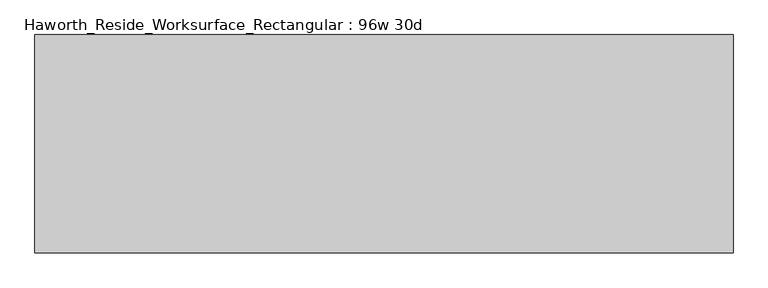
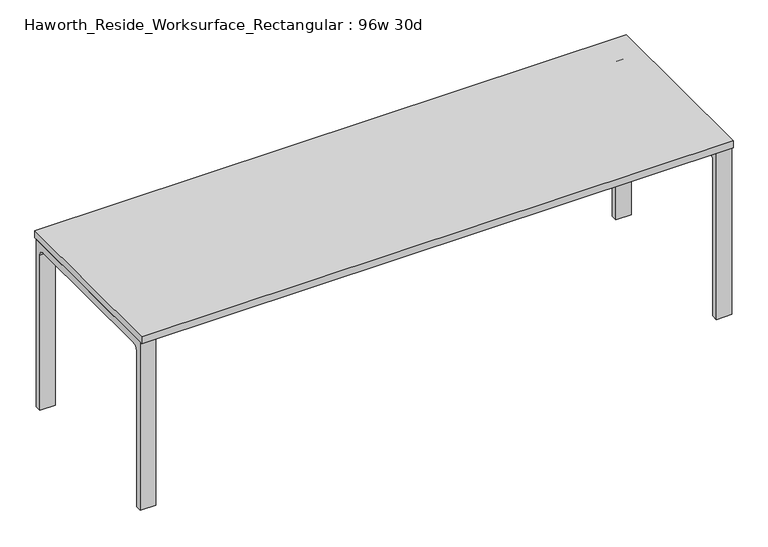
"""IFC4 building model written with IfcOpenShell, lengths in millimetres: furniture geometry, Haworth_Reside_Worksurface_Rectangular : 96w 30d."""

from ifc_helpers import new_model, si_unit, point, frame, frame_2d, origin, place, context, project, spatial, polyline, circle_curve, trimmed, segment, composite_curve, outline, extrude, source, transform, mapped, element, save


def haworth_reside_worksurface_rectangular_96w_30d_82eba100(model_context):
    return source(origin(), model_context, "Body", "SweptSolid", [
        extrude(outline(composite_curve([segment(trimmed(circle_curve(frame_2d((320.675, 676.275)), 25.4), [point((346.075, 676.275))], [point((320.675, 701.675))], True, "CARTESIAN"), True, "CONTINUOUS"), segment(polyline([(320.675, 701.675), (-320.675, 701.675)]), True, "CONTINUOUS"), segment(trimmed(circle_curve(frame_2d((-320.675, 676.275)), 25.4), [point((-320.675, 701.675))], [point((-346.075, 676.275))], True, "CARTESIAN"), True, "CONTINUOUS"), segment(polyline([(-346.075, 676.275), (-346.075, 0.0), (-371.475, 0.0), (-371.475, 731.8375), (371.475, 731.8375), (371.475, 0.0), (346.075, 0.0), (346.075, 676.275)]), True, "CONTINUOUS")], self_intersect=False)), frame((1155.7, 0.0, 0.0), z_axis=(1.0, 0.0, 0.0), x_axis=(0.0, 1.0, 0.0)), (0.0, 0.0, 1.0), 63.5),
        extrude(outline(composite_curve([segment(trimmed(circle_curve(frame_2d((320.675, 676.275)), 25.4), [point((346.075, 676.275))], [point((320.675, 701.675))], True, "CARTESIAN"), True, "CONTINUOUS"), segment(polyline([(320.675, 701.675), (-320.675, 701.675)]), True, "CONTINUOUS"), segment(trimmed(circle_curve(frame_2d((-320.675, 676.275)), 25.4), [point((-320.675, 701.675))], [point((-346.075, 676.275))], True, "CARTESIAN"), True, "CONTINUOUS"), segment(polyline([(-346.075, 676.275), (-346.075, 0.0), (-371.475, 0.0), (-371.475, 731.8375), (371.475, 731.8375), (371.475, 0.0), (346.075, 0.0), (346.075, 676.275)]), True, "CONTINUOUS")], self_intersect=False)), frame((-1219.2, 0.0, 0.0), z_axis=(1.0, 0.0, 0.0), x_axis=(0.0, 1.0, 0.0)), (0.0, 0.0, 1.0), 63.5),
        extrude(outline(polyline([(1219.2, 381.0), (1219.2, -381.0), (-1219.2, -381.0), (-1219.2, 381.0), (1219.2, 381.0)])), frame((0.0, 0.0, 731.8375), z_axis=(0.0, 0.0, 1.0), x_axis=(1.0, 0.0, 0.0)), (0.0, 0.0, 1.0), 30.1625),
    ])


if __name__ == "__main__":
    model = new_model("IFC4")
    model_context = context("Model", 3, world=origin())
    ifc_project = project(units=[si_unit("LENGTHUNIT", "METRE", prefix="MILLI")], contexts=[model_context])
    site = spatial("IfcSite", under=ifc_project)
    building = spatial("IfcBuilding", under=site)
    placement = place(None, origin())
    haworth_reside_worksurface_rectangular_96w_30d_shape = haworth_reside_worksurface_rectangular_96w_30d_82eba100(model_context)
    element("IfcFurniture", 1, ObjectType="Haworth_Reside_Worksurface_Rectangular : 96w 30d", at=placement, inside=building, context=model_context, shape_type="MappedRepresentation", body=[
        mapped(haworth_reside_worksurface_rectangular_96w_30d_shape, transform((0.0, 0.0, 0.0), x_axis=(1.0, 0.0, 0.0), y_axis=(0.0, 1.0, 0.0), z_axis=(0.0, 0.0, 1.0))),
    ])
    save(model, "model.ifc")
